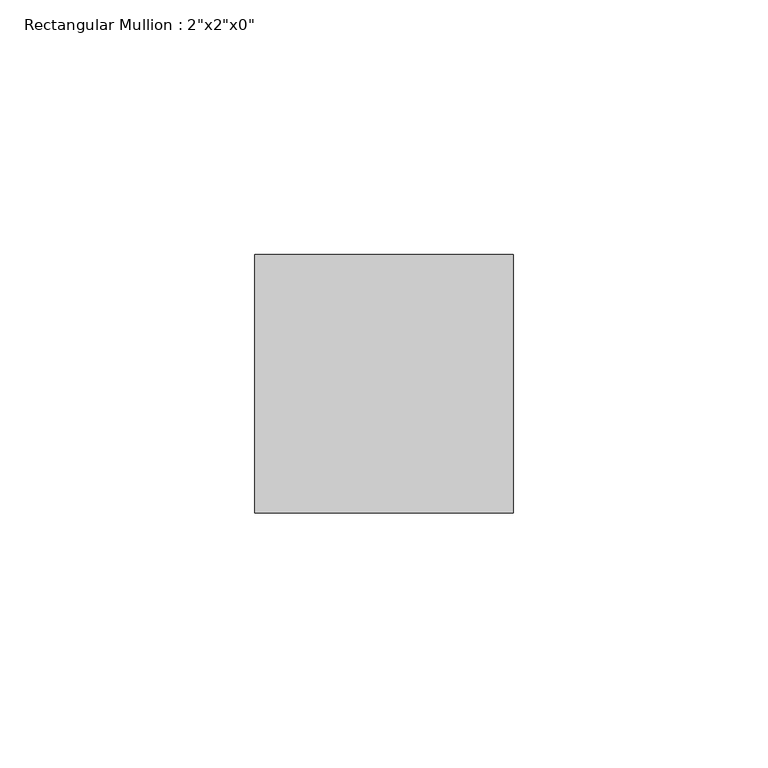
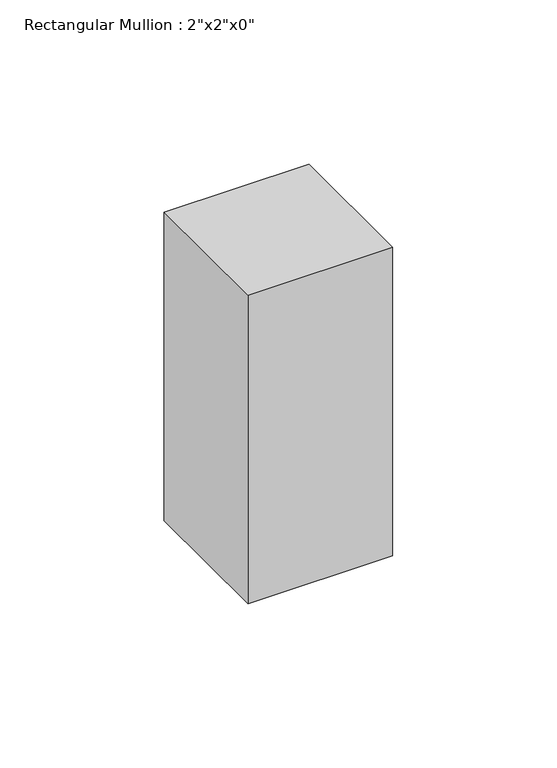
"""IFC4 building model written with IfcOpenShell, lengths in millimetres: member geometry."""

import ifcopenshell
import ifcopenshell.guid

model = None  # the IFC model being written
_history = None  # IfcOwnerHistory: only IFC2X3 demands one
_inside = {}  # id of a spatial element -> (the spatial element, [elements in it])
_under = {}  # id of a project, library or spatial element -> (it, [spatial elements below it])
_declared = {}  # id of a project -> (the project, [libraries it declares])
_typed = {}  # id of a type object -> (the type object, [elements of that type])
_made_of = {}  # id of a material, layer set ... -> (it, [elements and type objects made of it])


def new_model(schema):
    """Start an empty IFC model of exactly this schema.

    Asked for "IFC4X3", IfcOpenShell would pick the latest addendum, in which some entities
    have other attributes; the version numbers below select the first issue.
    IFC2X3 requires an IfcOwnerHistory on every rooted entity: one is made here for all.
    """
    global model, _history
    if schema == "IFC4X3":
        model = ifcopenshell.file(schema_version=(4, 3, 0, 0))
    else:
        model = ifcopenshell.file(schema=schema)
    _inside.clear()
    _under.clear()
    _declared.clear()
    _typed.clear()
    _made_of.clear()
    _history = None
    if model.schema == "IFC2X3":
        org = make("IfcOrganization", Name="unknown")
        user = make(
            "IfcPersonAndOrganization",
            ThePerson=make("IfcPerson", FamilyName="unknown"),
            TheOrganization=org,
        )
        app = make(
            "IfcApplication",
            ApplicationDeveloper=org,
            Version="unknown",
            ApplicationFullName="unknown",
            ApplicationIdentifier="unknown",
        )
        _history = make(
            "IfcOwnerHistory",
            OwningUser=user,
            OwningApplication=app,
            ChangeAction="ADDED",
            CreationDate=0,
        )
    return model


def make(cls, **values):
    """One entity of the class cls with the attributes given. An attribute that is None is left unset."""
    return model.create_entity(
        cls, **{name: value for name, value in values.items() if value is not None}
    )


def rooted(cls, **values):
    """An entity with a GlobalId (a new one), such as an element, a storey or a relation."""
    return make(cls, GlobalId=ifcopenshell.guid.new(), OwnerHistory=_history, **values)


def si_unit(unit_type, name, prefix=None):
    """IfcSIUnit, for example si_unit("LENGTHUNIT", "METRE", prefix="MILLI")."""
    return make("IfcSIUnit", UnitType=unit_type, Prefix=prefix, Name=name)


def assignment(units):
    """IfcUnitAssignment: the units of a project."""
    return None if units is None else make("IfcUnitAssignment", Units=units)


def point(xyz):
    """IfcCartesianPoint."""
    return None if xyz is None else make("IfcCartesianPoint", Coordinates=xyz)


def direction(xyz):
    """IfcDirection."""
    return None if xyz is None else make("IfcDirection", DirectionRatios=xyz)


def frame(location, z_axis=None, x_axis=None):
    """IfcAxis2Placement3D, a coordinate frame: its origin and axes. An axis left out is left unset."""
    return make(
        "IfcAxis2Placement3D",
        Location=point(location),
        Axis=direction(z_axis),
        RefDirection=direction(x_axis),
    )


def origin():
    """The frame at (0, 0, 0) with its axes left unset."""
    return frame((0.0, 0.0, 0.0))


def place(relative_to, where):
    """IfcLocalPlacement: puts the frame where relative to a parent placement (None: the world)."""
    return make(
        "IfcLocalPlacement", PlacementRelTo=relative_to, RelativePlacement=where
    )


def context(
    kind, dimensions, precision=None, world=None, true_north=None, identifier=None
):
    """IfcGeometricRepresentationContext, for example the 3D "Model" context."""
    return make(
        "IfcGeometricRepresentationContext",
        ContextIdentifier=identifier,
        ContextType=kind,
        CoordinateSpaceDimension=dimensions,
        Precision=precision,
        WorldCoordinateSystem=world,
        TrueNorth=true_north,
    )


def project(units=None, contexts=None):
    """IfcProject with its units and contexts."""
    return rooted(
        "IfcProject",
        Name="project",
        RepresentationContexts=contexts,
        UnitsInContext=assignment(units),
    )


def spatial(cls, under=None, at=None, **own):
    """A site, building, storey or space (cls), placed at a placement, below another one or the project."""
    s = rooted(cls, ObjectPlacement=at, **own)
    if under is not None:
        _under.setdefault(under.id(), (under, []))[1].append(s)
    return s


def polyline(points):
    """IfcPolyline through the points."""
    return make("IfcPolyline", Points=[point(p) for p in points])


def outline(outer, holes=None, kind="AREA"):
    """IfcArbitraryClosedProfileDef: a profile drawn as a closed curve; with holes, ...WithVoids."""
    if holes is None:
        return make("IfcArbitraryClosedProfileDef", ProfileType=kind, OuterCurve=outer)
    return make(
        "IfcArbitraryProfileDefWithVoids",
        ProfileType=kind,
        OuterCurve=outer,
        InnerCurves=holes,
    )


def extrude(swept, where, along, depth):
    """IfcExtrudedAreaSolid: the profile swept, set in the frame where, extruded along a direction by depth."""
    return make(
        "IfcExtrudedAreaSolid",
        SweptArea=swept,
        Position=where,
        ExtrudedDirection=direction(along),
        Depth=depth,
    )


def shape(context_of_items, identifier, shape_type, items):
    """IfcShapeRepresentation: the items that make up one representation, for example the "Body"."""
    return make(
        "IfcShapeRepresentation",
        ContextOfItems=context_of_items,
        RepresentationIdentifier=identifier,
        RepresentationType=shape_type,
        Items=items,
    )


def source(mapping_origin, context_of_items, identifier, shape_type, items):
    """IfcRepresentationMap: a shape defined once, which mapped items show again and again."""
    return make(
        "IfcRepresentationMap",
        MappingOrigin=mapping_origin,
        MappedRepresentation=shape(context_of_items, identifier, shape_type, items),
    )


def transform(
    local_origin,
    x_axis=None,
    y_axis=None,
    z_axis=None,
    scale=None,
    scale2=None,
    scale3=None,
    uniform=True,
):
    """IfcCartesianTransformationOperator3D, or its non-uniform kind. x_axis, y_axis, z_axis: its Axis1, 2, 3."""
    if uniform:
        return make(
            "IfcCartesianTransformationOperator3D",
            Axis1=direction(x_axis),
            Axis2=direction(y_axis),
            LocalOrigin=point(local_origin),
            Scale=scale,
            Axis3=direction(z_axis),
        )
    return make(
        "IfcCartesianTransformationOperator3DnonUniform",
        Axis1=direction(x_axis),
        Axis2=direction(y_axis),
        LocalOrigin=point(local_origin),
        Scale=scale,
        Axis3=direction(z_axis),
        Scale2=scale2,
        Scale3=scale3,
    )


def mapped(mapping_source, mapping_target):
    """IfcMappedItem: shows the shape of a source again, moved by a transform."""
    return make(
        "IfcMappedItem", MappingSource=mapping_source, MappingTarget=mapping_target
    )


def made_of(thing, what):
    """Note that an element or type object is made of a material, layer set ...; save() writes the relation."""
    if what is not None:
        _made_of.setdefault(what.id(), (what, []))[1].append(thing)
    return thing


def element(
    cls,
    number,
    at=None,
    inside=None,
    cuts=None,
    type_object=None,
    material=None,
    context=None,
    identifier="Body",
    shape_type=None,
    held_by="IfcProductDefinitionShape",
    body=None,
    shapes=None,
    **own,
):
    """One element of the class cls, such as IfcWall. Its Tag is "e" and its number.

    at: its placement. inside: the storey or other place that contains it. cuts: it is an
    opening in that element (IfcRelVoidsElement). A single representation is given by context,
    identifier, shape_type and body (its items); several are given by shapes. held_by: the class
    of the entity that holds the representations. save() writes the other relations.
    """
    e = rooted(cls, Tag="e%d" % number, ObjectPlacement=at, **own)
    if body is not None:
        shapes = [shape(context, identifier, shape_type, body)]
    if shapes is not None:
        e.Representation = make(held_by, Representations=shapes)
    if inside is not None:
        _inside.setdefault(inside.id(), (inside, []))[1].append(e)
    if cuts is not None:
        rooted(
            "IfcRelVoidsElement", RelatingBuildingElement=cuts, RelatedOpeningElement=e
        )
    if type_object is not None:
        _typed.setdefault(type_object.id(), (type_object, []))[1].append(e)
    return made_of(e, material)


def aggregate(whole, parts):
    """IfcRelAggregates: a whole, such as a stair, and the parts it consists of."""
    return rooted("IfcRelAggregates", RelatingObject=whole, RelatedObjects=parts)


def save(model, path):
    """Write the relations noted so far, then the file.

    IfcRelAggregates (storeys below a building ...), IfcRelContainedInSpatialStructure (elements
    in a storey), IfcRelDefinesByType, IfcRelAssociatesMaterial and IfcRelDeclares: one each for
    every whole, place, type object, material and project.
    """
    for whole, parts in _under.values():
        aggregate(whole, parts)
    for where, things in _inside.values():
        rooted(
            "IfcRelContainedInSpatialStructure",
            RelatedElements=things,
            RelatingStructure=where,
        )
    for kind, things in _typed.values():
        rooted("IfcRelDefinesByType", RelatedObjects=things, RelatingType=kind)
    for what, things in _made_of.values():
        rooted("IfcRelAssociatesMaterial", RelatedObjects=things, RelatingMaterial=what)
    for by, libraries in _declared.values():
        rooted("IfcRelDeclares", RelatingContext=by, RelatedDefinitions=libraries)
    model.write(path)


def member_0b711f56(model_context):
    return source(origin(), model_context, "Body", "SweptSolid", [
        extrude(outline(polyline([(0.0, 25.4), (0.0, -25.4), (-50.8, -25.4), (-50.8, 25.4), (0.0, 25.4)])), frame((0.0, 0.0, -114.3577464), z_axis=(0.0, 0.0, 1.0), x_axis=(1.0, 0.0, 0.0)), (0.0, 0.0, 1.0), 114.3577464),
    ])


if __name__ == "__main__":
    model = new_model("IFC4")
    model_context = context("Model", 3, world=origin())
    ifc_project = project(units=[si_unit("LENGTHUNIT", "METRE", prefix="MILLI")], contexts=[model_context])
    site = spatial("IfcSite", under=ifc_project)
    building = spatial("IfcBuilding", under=site)
    placement = place(None, origin())
    member_shape = member_0b711f56(model_context)
    element("IfcMember", 1, ObjectType="Rectangular Mullion : 2\"x2\"x0\"", at=placement, inside=building, context=model_context, shape_type="MappedRepresentation", body=[
        mapped(member_shape, transform((0.0, 0.0, 0.0), x_axis=(1.0, 0.0, 0.0), y_axis=(0.0, 1.0, 0.0), z_axis=(0.0, 0.0, 1.0))),
    ])
    save(model, "model.ifc")
